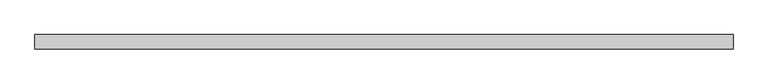
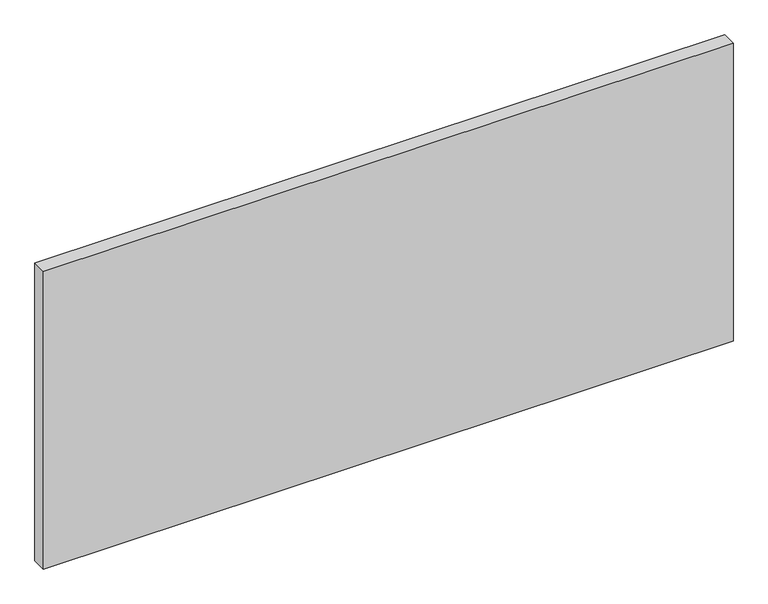
"""IFC4 building model written with IfcOpenShell, lengths in millimetres: plate geometry."""

from ifc_helpers import new_model, si_unit, origin, origin_with_axes, place, context, project, spatial, polyline, outline, extrude, source, transform, mapped, element, save


def plate_24dfffae(model_context):
    return source(origin(), model_context, "Body", "SweptSolid", [
        extrude(outline(polyline([(575.0000002, -24.0), (-575.0000002, -24.0), (-575.0000002, 0.0), (575.0000002, 0.0), (575.0000002, -24.0)])), origin_with_axes(), (0.0, 0.0, 1.0), 525.0),
    ])


if __name__ == "__main__":
    model = new_model("IFC4")
    model_context = context("Model", 3, world=origin())
    ifc_project = project(units=[si_unit("LENGTHUNIT", "METRE", prefix="MILLI")], contexts=[model_context])
    site = spatial("IfcSite", under=ifc_project)
    building = spatial("IfcBuilding", under=site)
    placement = place(None, origin())
    plate_shape = plate_24dfffae(model_context)
    element("IfcPlate", 1, at=placement, inside=building, context=model_context, shape_type="MappedRepresentation", body=[
        mapped(plate_shape, transform((0.0, 0.0, 0.0), x_axis=(1.0, 0.0, 0.0), y_axis=(0.0, 1.0, 0.0), z_axis=(0.0, 0.0, 1.0))),
    ])
    save(model, "model.ifc")
